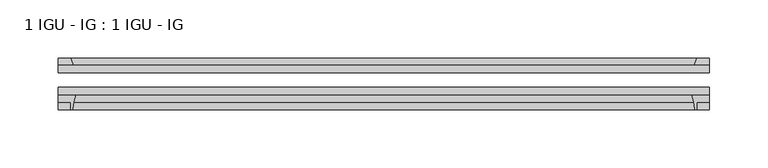
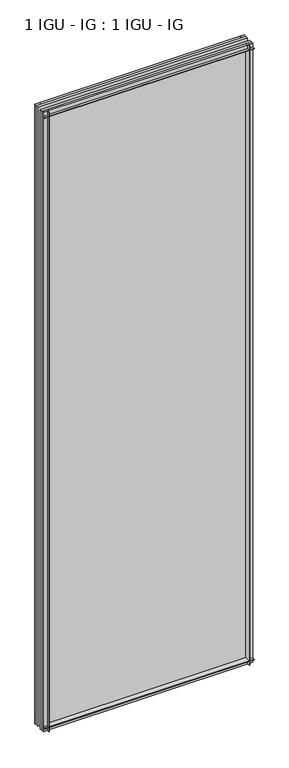
"""IFC4 building model written with IfcOpenShell, lengths in millimetres: plate geometry, 1 IGU - IG : 1 IGU - IG."""

from ifc_helpers import new_model, si_unit, point, frame, frame_2d, origin, place, context, project, spatial, polyline, circle_curve, trimmed, segment, composite_curve, outline, extrude, source, transform, mapped, element, save


def plate_1_igu_ig_1_igu_ig_0e249935(model_context):
    return source(origin(), model_context, "Body", "SweptSolid", [
        extrude(outline(polyline([(280.9875, -31.75), (280.9875, -38.1), (-280.9875, -38.1), (-280.9875, -31.75), (280.9875, -31.75)])), frame((0.0, 0.0, -11.1125), z_axis=(0.0, 0.0, 1.0), x_axis=(1.0, 0.0, 0.0)), (0.0, 0.0, 1.0), 1755.775),
        extrude(outline(polyline([(-280.9875, -12.7), (280.9875, -12.7), (280.9875, -19.05), (-280.9875, -19.05), (-280.9875, -12.7)])), frame((0.0, 0.0, -11.1125), z_axis=(0.0, 0.0, 1.0), x_axis=(1.0, 0.0, 0.0)), (0.0, 0.0, 1.0), 1755.775),
        extrude(outline(composite_curve([segment(polyline([(-280.9875, -38.1), (-265.6938207, -38.1)]), True, "CONTINUOUS"), segment(trimmed(circle_curve(frame_2d((-222.4348044, -53.3794536)), 45.8781451), [point((-265.6938207, -38.1))], [point((-268.1950572, -50.0925922))], True, "CARTESIAN"), True, "CONTINUOUS"), segment(trimmed(circle_curve(frame_2d((-268.9550991, -50.038)), 0.762), [point((-268.1950572, -50.0925922))], [point((-268.9550991, -50.8))], False, "CARTESIAN"), True, "CONTINUOUS"), segment(polyline([(-268.9550991, -50.8), (-269.875, -50.8), (-269.875, -44.45), (-280.9875, -44.45), (-280.9875, -38.1)]), True, "CONTINUOUS")], self_intersect=False)), frame((0.0, 0.0, -11.1125), z_axis=(0.0, 0.0, 1.0), x_axis=(1.0, 0.0, 0.0)), (0.0, 0.0, 1.0), 1755.775),
        extrude(outline(polyline([(-267.7697229, -12.7), (-280.9875, -12.7), (-280.9875, -6.35), (-269.875, -6.35), (-267.7697229, -12.7)])), frame((0.0, 0.0, -11.1125), z_axis=(0.0, 0.0, 1.0), x_axis=(1.0, 0.0, 0.0)), (0.0, 0.0, 1.0), 1755.775),
        extrude(outline(polyline([(280.9875, -12.7), (267.7697229, -12.7), (269.875, -6.35), (280.9875, -6.35), (280.9875, -12.7)])), frame((0.0, 0.0, -11.1125), z_axis=(0.0, 0.0, 1.0), x_axis=(1.0, 0.0, 0.0)), (0.0, 0.0, 1.0), 1755.775),
        extrude(outline(composite_curve([segment(polyline([(265.6938207, -38.1), (280.9875, -38.1), (280.9875, -44.45), (269.875, -44.45), (269.875, -50.8), (268.9550991, -50.8)]), True, "CONTINUOUS"), segment(trimmed(circle_curve(frame_2d((268.9550991, -50.038)), 0.762), [point((268.9550991, -50.8))], [point((268.1950572, -50.0925922))], False, "CARTESIAN"), True, "CONTINUOUS"), segment(trimmed(circle_curve(frame_2d((222.4348044, -53.3794536)), 45.8781451), [point((268.1950572, -50.0925922))], [point((265.6938207, -38.1))], True, "CARTESIAN"), True, "CONTINUOUS")], self_intersect=False)), frame((0.0, 0.0, -11.1125), z_axis=(0.0, 0.0, 1.0), x_axis=(1.0, 0.0, 0.0)), (0.0, 0.0, 1.0), 1755.775),
        extrude(outline(polyline([(-12.7, -11.1125), (-12.7, 2.1052771), (-6.35, 0.0), (-6.35, -11.1125), (-12.7, -11.1125)])), frame((-280.9875, 0.0, 0.0), z_axis=(1.0, 0.0, 0.0), x_axis=(0.0, 1.0, 0.0)), (0.0, 0.0, 1.0), 561.975),
        extrude(outline(composite_curve([segment(polyline([(-38.1, 4.1811793), (-38.1, -11.1125), (-44.45, -11.1125), (-44.45, 0.0), (-50.8, 0.0), (-50.8, 0.9199009)]), True, "CONTINUOUS"), segment(trimmed(circle_curve(frame_2d((-50.038, 0.9199009)), 0.762), [point((-50.8, 0.9199009))], [point((-50.0925922, 1.6799428))], False, "CARTESIAN"), True, "CONTINUOUS"), segment(trimmed(circle_curve(frame_2d((-53.3794536, 47.4401956)), 45.8781451), [point((-50.0925922, 1.6799428))], [point((-38.1, 4.1811793))], True, "CARTESIAN"), True, "CONTINUOUS")], self_intersect=False)), frame((-280.9875, 0.0, 0.0), z_axis=(1.0, 0.0, 0.0), x_axis=(0.0, 1.0, 0.0)), (0.0, 0.0, 1.0), 561.975),
        extrude(outline(polyline([(-6.35, 1733.55), (-12.7, 1731.4447229), (-12.7, 1744.6625), (-6.35, 1744.6625), (-6.35, 1733.55)])), frame((-280.9875, 0.0, 0.0), z_axis=(1.0, 0.0, 0.0), x_axis=(0.0, 1.0, 0.0)), (0.0, 0.0, 1.0), 561.975),
        extrude(outline(composite_curve([segment(polyline([(-38.1, 1744.6625), (-38.1, 1729.3688207)]), True, "CONTINUOUS"), segment(trimmed(circle_curve(frame_2d((-53.3794536, 1686.1098044)), 45.8781451), [point((-38.1, 1729.3688207))], [point((-50.0925922, 1731.8700572))], True, "CARTESIAN"), True, "CONTINUOUS"), segment(trimmed(circle_curve(frame_2d((-50.038, 1732.6300991)), 0.762), [point((-50.0925922, 1731.8700572))], [point((-50.8, 1732.6300991))], False, "CARTESIAN"), True, "CONTINUOUS"), segment(polyline([(-50.8, 1732.6300991), (-50.8, 1733.55), (-44.45, 1733.55), (-44.45, 1744.6625), (-38.1, 1744.6625)]), True, "CONTINUOUS")], self_intersect=False)), frame((-280.9875, 0.0, 0.0), z_axis=(1.0, 0.0, 0.0), x_axis=(0.0, 1.0, 0.0)), (0.0, 0.0, 1.0), 561.975),
    ])


if __name__ == "__main__":
    model = new_model("IFC4")
    model_context = context("Model", 3, world=origin())
    ifc_project = project(units=[si_unit("LENGTHUNIT", "METRE", prefix="MILLI")], contexts=[model_context])
    site = spatial("IfcSite", under=ifc_project)
    building = spatial("IfcBuilding", under=site)
    placement = place(None, origin())
    plate_1_igu_ig_1_igu_ig_shape = plate_1_igu_ig_1_igu_ig_0e249935(model_context)
    element("IfcPlate", 1, ObjectType="1 IGU - IG : 1 IGU - IG", at=placement, inside=building, context=model_context, shape_type="MappedRepresentation", body=[
        mapped(plate_1_igu_ig_1_igu_ig_shape, transform((0.0, 0.0, 0.0), x_axis=(1.0, 0.0, 0.0), y_axis=(0.0, 1.0, 0.0), z_axis=(0.0, 0.0, 1.0))),
    ])
    save(model, "model.ifc")
